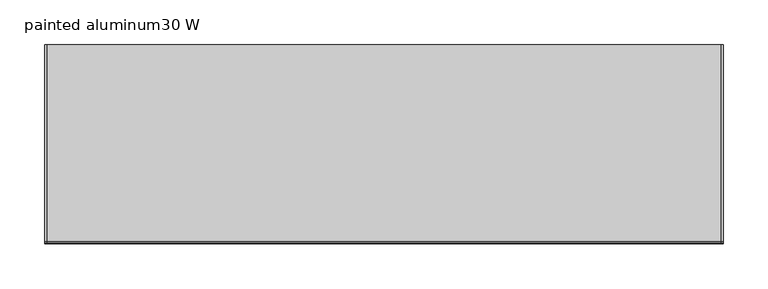
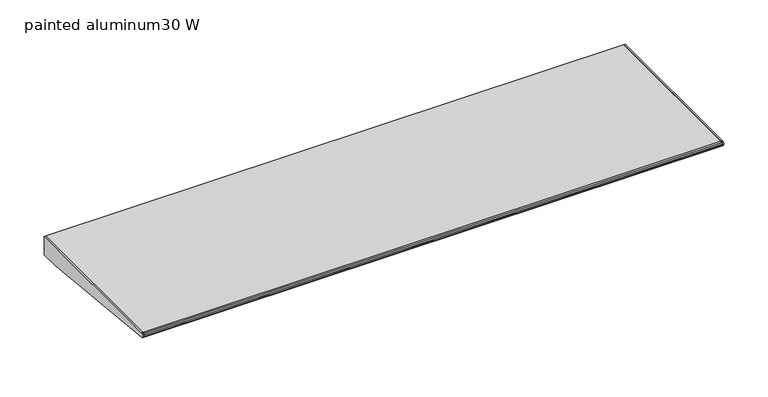
"""IFC4 building model written with IfcOpenShell, lengths in millimetres: furniture geometry, painted aluminum30 W."""

from ifc_helpers import new_model, si_unit, frame, origin, place, context, project, spatial, polyline, outline, extrude, source, transform, mapped, element, save


def painted_aluminum30_w_609a6728(model_context):
    return source(origin(), model_context, "Body", "SweptSolid", [
        extrude(outline(polyline([(-222.022331, 761.1835155), (-220.8911683, 762.6479329), (-218.9431893, 763.25984), (0.0, 763.25984), (0.0, 737.85984), (-25.3684852, 737.85984), (-219.3540346, 756.9250636), (-221.1050905, 757.670208), (-222.1155121, 759.2827981), (-222.022331, 761.1835155)])), frame((757.4279999, 0.0, 0.0), z_axis=(1.0, 0.0, 0.0), x_axis=(0.0, 1.0, 0.0)), (0.0, 0.0, 1.0), 2.032),
        extrude(outline(polyline([(-222.022331, 761.1835155), (-220.8911683, 762.6479329), (-218.9431893, 763.25984), (0.0, 763.25984), (0.0, 737.85984), (-25.3684852, 737.85984), (-219.3540346, 756.9250636), (-221.1050905, 757.670208), (-222.1155121, 759.2827981), (-222.022331, 761.1835155)])), frame((2.5400001, 0.0, 0.0), z_axis=(1.0, 0.0, 0.0), x_axis=(0.0, 1.0, 0.0)), (0.0, 0.0, 1.0), 2.032),
        extrude(outline(polyline([(0.0, 763.25984), (0.0, 737.85984), (-25.3684852, 737.85984), (-219.3540346, 756.9250636), (-221.1050905, 757.670208), (-222.1155121, 759.2827981), (-222.022331, 761.1835155), (-220.8911683, 762.6479329), (-218.9431893, 763.25984), (0.0, 763.25984)])), frame((4.5720001, 0.0, 0.0), z_axis=(1.0, 0.0, 0.0), x_axis=(0.0, 1.0, 0.0)), (0.0, 0.0, 1.0), 752.8559997),
    ])


if __name__ == "__main__":
    model = new_model("IFC4")
    model_context = context("Model", 3, world=origin())
    ifc_project = project(units=[si_unit("LENGTHUNIT", "METRE", prefix="MILLI")], contexts=[model_context])
    site = spatial("IfcSite", under=ifc_project)
    building = spatial("IfcBuilding", under=site)
    placement = place(None, origin())
    painted_aluminum30_w_shape = painted_aluminum30_w_609a6728(model_context)
    element("IfcFurniture", 1, ObjectType="painted aluminum30 W", at=placement, inside=building, context=model_context, shape_type="MappedRepresentation", body=[
        mapped(painted_aluminum30_w_shape, transform((0.0, 0.0, 0.0), x_axis=(1.0, 0.0, 0.0), y_axis=(0.0, 1.0, 0.0), z_axis=(0.0, 0.0, 1.0))),
    ])
    save(model, "model.ifc")
